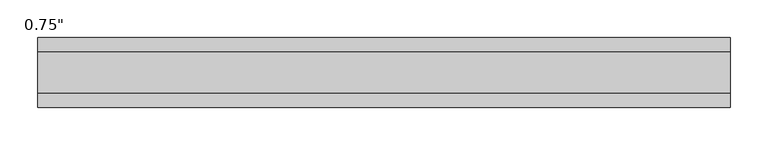
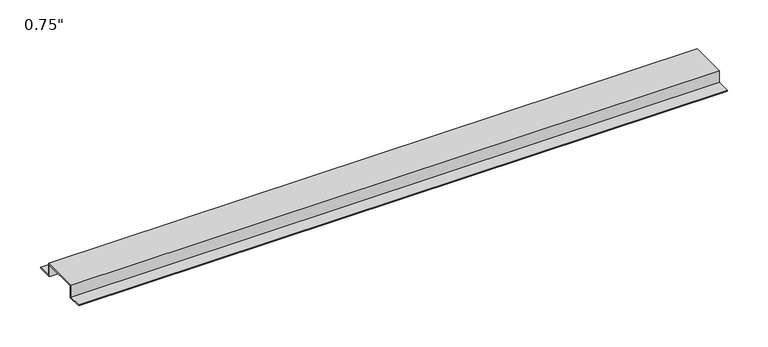
"""IFC4 building model written with IfcOpenShell, lengths in millimetres: proxy geometry."""

import ifcopenshell
import ifcopenshell.guid

model = None  # the IFC model being written
_history = None  # IfcOwnerHistory: only IFC2X3 demands one
_inside = {}  # id of a spatial element -> (the spatial element, [elements in it])
_under = {}  # id of a project, library or spatial element -> (it, [spatial elements below it])
_declared = {}  # id of a project -> (the project, [libraries it declares])
_typed = {}  # id of a type object -> (the type object, [elements of that type])
_made_of = {}  # id of a material, layer set ... -> (it, [elements and type objects made of it])


def new_model(schema):
    """Start an empty IFC model of exactly this schema.

    Asked for "IFC4X3", IfcOpenShell would pick the latest addendum, in which some entities
    have other attributes; the version numbers below select the first issue.
    IFC2X3 requires an IfcOwnerHistory on every rooted entity: one is made here for all.
    """
    global model, _history
    if schema == "IFC4X3":
        model = ifcopenshell.file(schema_version=(4, 3, 0, 0))
    else:
        model = ifcopenshell.file(schema=schema)
    _inside.clear()
    _under.clear()
    _declared.clear()
    _typed.clear()
    _made_of.clear()
    _history = None
    if model.schema == "IFC2X3":
        org = make("IfcOrganization", Name="unknown")
        user = make(
            "IfcPersonAndOrganization",
            ThePerson=make("IfcPerson", FamilyName="unknown"),
            TheOrganization=org,
        )
        app = make(
            "IfcApplication",
            ApplicationDeveloper=org,
            Version="unknown",
            ApplicationFullName="unknown",
            ApplicationIdentifier="unknown",
        )
        _history = make(
            "IfcOwnerHistory",
            OwningUser=user,
            OwningApplication=app,
            ChangeAction="ADDED",
            CreationDate=0,
        )
    return model


def make(cls, **values):
    """One entity of the class cls with the attributes given. An attribute that is None is left unset."""
    return model.create_entity(
        cls, **{name: value for name, value in values.items() if value is not None}
    )


def rooted(cls, **values):
    """An entity with a GlobalId (a new one), such as an element, a storey or a relation."""
    return make(cls, GlobalId=ifcopenshell.guid.new(), OwnerHistory=_history, **values)


def si_unit(unit_type, name, prefix=None):
    """IfcSIUnit, for example si_unit("LENGTHUNIT", "METRE", prefix="MILLI")."""
    return make("IfcSIUnit", UnitType=unit_type, Prefix=prefix, Name=name)


def assignment(units):
    """IfcUnitAssignment: the units of a project."""
    return None if units is None else make("IfcUnitAssignment", Units=units)


def point(xyz):
    """IfcCartesianPoint."""
    return None if xyz is None else make("IfcCartesianPoint", Coordinates=xyz)


def direction(xyz):
    """IfcDirection."""
    return None if xyz is None else make("IfcDirection", DirectionRatios=xyz)


def frame(location, z_axis=None, x_axis=None):
    """IfcAxis2Placement3D, a coordinate frame: its origin and axes. An axis left out is left unset."""
    return make(
        "IfcAxis2Placement3D",
        Location=point(location),
        Axis=direction(z_axis),
        RefDirection=direction(x_axis),
    )


def origin():
    """The frame at (0, 0, 0) with its axes left unset."""
    return frame((0.0, 0.0, 0.0))


def place(relative_to, where):
    """IfcLocalPlacement: puts the frame where relative to a parent placement (None: the world)."""
    return make(
        "IfcLocalPlacement", PlacementRelTo=relative_to, RelativePlacement=where
    )


def context(
    kind, dimensions, precision=None, world=None, true_north=None, identifier=None
):
    """IfcGeometricRepresentationContext, for example the 3D "Model" context."""
    return make(
        "IfcGeometricRepresentationContext",
        ContextIdentifier=identifier,
        ContextType=kind,
        CoordinateSpaceDimension=dimensions,
        Precision=precision,
        WorldCoordinateSystem=world,
        TrueNorth=true_north,
    )


def project(units=None, contexts=None):
    """IfcProject with its units and contexts."""
    return rooted(
        "IfcProject",
        Name="project",
        RepresentationContexts=contexts,
        UnitsInContext=assignment(units),
    )


def spatial(cls, under=None, at=None, **own):
    """A site, building, storey or space (cls), placed at a placement, below another one or the project."""
    s = rooted(cls, ObjectPlacement=at, **own)
    if under is not None:
        _under.setdefault(under.id(), (under, []))[1].append(s)
    return s


def polyline(points):
    """IfcPolyline through the points."""
    return make("IfcPolyline", Points=[point(p) for p in points])


def outline(outer, holes=None, kind="AREA"):
    """IfcArbitraryClosedProfileDef: a profile drawn as a closed curve; with holes, ...WithVoids."""
    if holes is None:
        return make("IfcArbitraryClosedProfileDef", ProfileType=kind, OuterCurve=outer)
    return make(
        "IfcArbitraryProfileDefWithVoids",
        ProfileType=kind,
        OuterCurve=outer,
        InnerCurves=holes,
    )


def extrude(swept, where, along, depth):
    """IfcExtrudedAreaSolid: the profile swept, set in the frame where, extruded along a direction by depth."""
    return make(
        "IfcExtrudedAreaSolid",
        SweptArea=swept,
        Position=where,
        ExtrudedDirection=direction(along),
        Depth=depth,
    )


def shape(context_of_items, identifier, shape_type, items):
    """IfcShapeRepresentation: the items that make up one representation, for example the "Body"."""
    return make(
        "IfcShapeRepresentation",
        ContextOfItems=context_of_items,
        RepresentationIdentifier=identifier,
        RepresentationType=shape_type,
        Items=items,
    )


def source(mapping_origin, context_of_items, identifier, shape_type, items):
    """IfcRepresentationMap: a shape defined once, which mapped items show again and again."""
    return make(
        "IfcRepresentationMap",
        MappingOrigin=mapping_origin,
        MappedRepresentation=shape(context_of_items, identifier, shape_type, items),
    )


def transform(
    local_origin,
    x_axis=None,
    y_axis=None,
    z_axis=None,
    scale=None,
    scale2=None,
    scale3=None,
    uniform=True,
):
    """IfcCartesianTransformationOperator3D, or its non-uniform kind. x_axis, y_axis, z_axis: its Axis1, 2, 3."""
    if uniform:
        return make(
            "IfcCartesianTransformationOperator3D",
            Axis1=direction(x_axis),
            Axis2=direction(y_axis),
            LocalOrigin=point(local_origin),
            Scale=scale,
            Axis3=direction(z_axis),
        )
    return make(
        "IfcCartesianTransformationOperator3DnonUniform",
        Axis1=direction(x_axis),
        Axis2=direction(y_axis),
        LocalOrigin=point(local_origin),
        Scale=scale,
        Axis3=direction(z_axis),
        Scale2=scale2,
        Scale3=scale3,
    )


def mapped(mapping_source, mapping_target):
    """IfcMappedItem: shows the shape of a source again, moved by a transform."""
    return make(
        "IfcMappedItem", MappingSource=mapping_source, MappingTarget=mapping_target
    )


def made_of(thing, what):
    """Note that an element or type object is made of a material, layer set ...; save() writes the relation."""
    if what is not None:
        _made_of.setdefault(what.id(), (what, []))[1].append(thing)
    return thing


def element(
    cls,
    number,
    at=None,
    inside=None,
    cuts=None,
    type_object=None,
    material=None,
    context=None,
    identifier="Body",
    shape_type=None,
    held_by="IfcProductDefinitionShape",
    body=None,
    shapes=None,
    **own,
):
    """One element of the class cls, such as IfcWall. Its Tag is "e" and its number.

    at: its placement. inside: the storey or other place that contains it. cuts: it is an
    opening in that element (IfcRelVoidsElement). A single representation is given by context,
    identifier, shape_type and body (its items); several are given by shapes. held_by: the class
    of the entity that holds the representations. save() writes the other relations.
    """
    e = rooted(cls, Tag="e%d" % number, ObjectPlacement=at, **own)
    if body is not None:
        shapes = [shape(context, identifier, shape_type, body)]
    if shapes is not None:
        e.Representation = make(held_by, Representations=shapes)
    if inside is not None:
        _inside.setdefault(inside.id(), (inside, []))[1].append(e)
    if cuts is not None:
        rooted(
            "IfcRelVoidsElement", RelatingBuildingElement=cuts, RelatedOpeningElement=e
        )
    if type_object is not None:
        _typed.setdefault(type_object.id(), (type_object, []))[1].append(e)
    return made_of(e, material)


def aggregate(whole, parts):
    """IfcRelAggregates: a whole, such as a stair, and the parts it consists of."""
    return rooted("IfcRelAggregates", RelatingObject=whole, RelatedObjects=parts)


def save(model, path):
    """Write the relations noted so far, then the file.

    IfcRelAggregates (storeys below a building ...), IfcRelContainedInSpatialStructure (elements
    in a storey), IfcRelDefinesByType, IfcRelAssociatesMaterial and IfcRelDeclares: one each for
    every whole, place, type object, material and project.
    """
    for whole, parts in _under.values():
        aggregate(whole, parts)
    for where, things in _inside.values():
        rooted(
            "IfcRelContainedInSpatialStructure",
            RelatedElements=things,
            RelatingStructure=where,
        )
    for kind, things in _typed.values():
        rooted("IfcRelDefinesByType", RelatedObjects=things, RelatingType=kind)
    for what, things in _made_of.values():
        rooted("IfcRelAssociatesMaterial", RelatedObjects=things, RelatingMaterial=what)
    for by, libraries in _declared.values():
        rooted("IfcRelDeclares", RelatingContext=by, RelatedDefinitions=libraries)
    model.write(path)


def proxy_7e780127(model_context):
    return source(origin(), model_context, "Body", "SweptSolid", [
        extrude(outline(polyline([(46.0559645, -17.4625), (25.4, -17.4625), (25.4, 0.0), (-25.4, 0.0), (-25.4, -17.4625), (-46.0559645, -17.4625), (-46.0559645, -15.8492), (-27.0129, -15.8492), (-27.0129, 1.6129), (27.0129, 1.6129), (27.0129, -15.8492), (46.0559645, -15.8492), (46.0559645, -17.4625)])), frame((0.0, 0.0, 0.0), z_axis=(1.0, 0.0, 0.0), x_axis=(0.0, 1.0, 0.0)), (0.0, 0.0, 1.0), 914.4),
    ])


if __name__ == "__main__":
    model = new_model("IFC4")
    model_context = context("Model", 3, world=origin())
    ifc_project = project(units=[si_unit("LENGTHUNIT", "METRE", prefix="MILLI")], contexts=[model_context])
    site = spatial("IfcSite", under=ifc_project)
    building = spatial("IfcBuilding", under=site)
    placement = place(None, origin())
    proxy_shape = proxy_7e780127(model_context)
    element("IfcBuildingElementProxy", 1, Name="0.75\"", ObjectType="0.75\"", at=placement, inside=building, context=model_context, shape_type="MappedRepresentation", body=[
        mapped(proxy_shape, transform((0.0, 0.0, 0.0), x_axis=(1.0, 0.0, 0.0), y_axis=(0.0, 1.0, 0.0), z_axis=(0.0, 0.0, 1.0))),
    ])
    save(model, "model.ifc")
